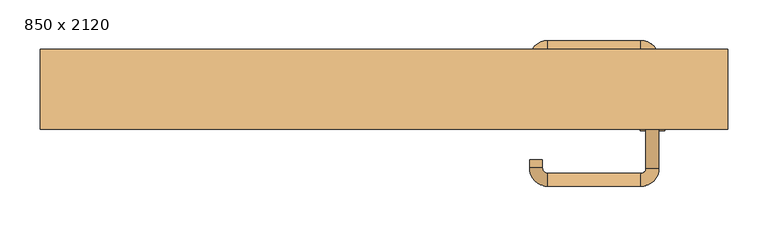
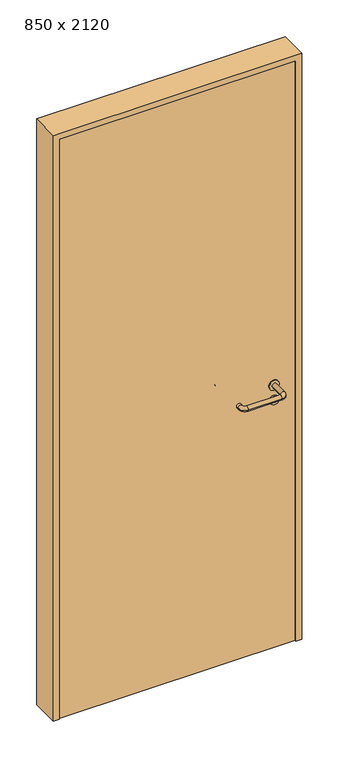
"""IFC4 building model written with IfcOpenShell, lengths in millimetres: door geometry, 850 x 2120."""

from ifc_helpers import new_model, si_unit, point, frame, frame_2d, origin, origin_with_axes, place, context, project, spatial, polyline, circle_curve, ellipse_curve, trimmed, segment, composite_curve, outline, extrude, source, transform, mapped, element, save
from ifc_brep_helpers import plane_surface, cylinder_surface, revolved_surface, advanced_brep


def door_850_x_2120_6f443289(model_context):
    return source(origin(), model_context, "Body", "SolidModel", [
        extrude(outline(composite_curve([segment(trimmed(circle_curve(frame_2d((897.3605726, 332.0)), 15.0), [point((897.3605726, 347.0))], [point((897.3605726, 317.0))], False, "CARTESIAN"), True, "CONTINUOUS"), segment(trimmed(circle_curve(frame_2d((897.3605726, 332.0)), 15.0), [point((897.3605726, 317.0))], [point((897.3605726, 347.0))], False, "CARTESIAN"), True, "CONTINUOUS")], self_intersect=False), holes=[composite_curve([segment(trimmed(circle_curve(frame_2d((892.5833211, 331.9398032)), 2.0), [point((892.5833211, 333.9398032))], [point((892.5833211, 329.9398032))], True, "CARTESIAN"), True, "CONTINUOUS"), segment(polyline([(892.5833211, 329.9398032), (902.5833211, 329.9398032)]), True, "CONTINUOUS"), segment(trimmed(circle_curve(frame_2d((902.5833211, 331.9398032)), 2.0), [point((902.5833211, 329.9398032))], [point((902.5833211, 333.9398032))], True, "CARTESIAN"), True, "CONTINUOUS"), segment(polyline([(902.5833211, 333.9398032), (892.5833211, 333.9398032)]), True, "CONTINUOUS")], self_intersect=False)]), frame((0.0, -15.0, 0.0), z_axis=(0.0, 1.0, 0.0), x_axis=(0.0, 0.0, 1.0)), (0.0, 0.0, 1.0), 6.35),
        extrude(outline(composite_curve([segment(trimmed(circle_curve(frame_2d((950.0, 332.0)), 17.526), [point((950.0, 349.526))], [point((950.0, 314.474))], False, "CARTESIAN"), True, "CONTINUOUS"), segment(trimmed(circle_curve(frame_2d((950.0, 332.0)), 17.526), [point((950.0, 314.474))], [point((950.0, 349.526))], False, "CARTESIAN"), True, "CONTINUOUS")], self_intersect=False)), frame((0.0, -15.0, 0.0), z_axis=(0.0, 1.0, 0.0), x_axis=(0.0, 0.0, 1.0)), (0.0, 0.0, 1.0), 3.175),
        advanced_brep(
        [(340.0, -15.0, 950.0), (324.0, -15.0, 950.0), (340.0, 38.0, 950.0), (324.0, 38.0, 950.0), (317.8578644, 44.1421356, 950.0), (317.8578644, 60.1421356, 950.0), (202.8578644, 60.1421356, 950.0), (202.8578644, 44.1421356, 950.0), (196.008622, 37.2928932, 950.0), (180.008622, 37.2928932, 950.0), (180.008622, 27.2928932, 950.0), (196.008622, 27.2928932, 950.0)],
        [
            (0, 1, circle_curve(frame((332.0, -15.0, 950.0), z_axis=(0.0, -1.0, 0.0), x_axis=(-1.0, 0.0, 0.0)), 8.0)),
            (1, 0, circle_curve(frame((332.0, -15.0, 950.0), z_axis=(0.0, -1.0, 0.0), x_axis=(-1.0, 0.0, 0.0)), 8.0)),
            (0, 2),
            (2, 3, circle_curve(frame((332.0, 38.0, 950.0), z_axis=(0.0, -1.0, 0.0), x_axis=(-1.0, 0.0, 0.0)), 8.0)),
            (3, 1),
            (3, 2, circle_curve(frame((332.0, 38.0, 950.0), z_axis=(0.0, -1.0, 0.0), x_axis=(-1.0, 0.0, 0.0)), 8.0)),
            (4, 3, circle_curve(frame((317.8578644, 38.0, 950.0), z_axis=(0.0, 0.0, -1.0), x_axis=(1.0, 0.0, 0.0)), 6.1421356)),
            (2, 5, circle_curve(frame((317.8578644, 38.0, 950.0), z_axis=(0.0, 0.0, 1.0), x_axis=(1.0, 0.0, 0.0)), 22.1421356)),
            (5, 4, circle_curve(frame((317.8578644, 52.1421356, 950.0), z_axis=(1.0, 0.0, 0.0), x_axis=(0.0, -1.0, 0.0)), 8.0)),
            (4, 5, circle_curve(frame((317.8578644, 52.1421356, 950.0), z_axis=(1.0, 0.0, 0.0), x_axis=(0.0, -1.0, 0.0)), 8.0)),
            (5, 6),
            (6, 7, circle_curve(frame((202.8578644, 52.1421356, 950.0), z_axis=(1.0, 0.0, 0.0), x_axis=(0.0, -1.0, 0.0)), 8.0)),
            (7, 4),
            (7, 6, circle_curve(frame((202.8578644, 52.1421356, 950.0), z_axis=(1.0, 0.0, 0.0), x_axis=(0.0, -1.0, 0.0)), 8.0)),
            (8, 7, circle_curve(frame((202.8578644, 37.2928932, 950.0), z_axis=(0.0, 0.0, -1.0), x_axis=(0.0, 1.0, 0.0)), 6.8492424)),
            (6, 9, circle_curve(frame((202.8578644, 37.2928932, 950.0), z_axis=(0.0, 0.0, 1.0), x_axis=(0.0, 1.0, 0.0)), 22.8492424)),
            (9, 8, circle_curve(frame((188.008622, 37.2928932, 950.0), z_axis=(0.0, 1.0, 0.0), x_axis=(1.0, 0.0, 0.0)), 8.0)),
            (8, 9, circle_curve(frame((188.008622, 37.2928932, 950.0), z_axis=(0.0, 1.0, 0.0), x_axis=(1.0, 0.0, 0.0)), 8.0)),
            (10, 11, circle_curve(frame((188.008622, 27.2928932, 950.0), z_axis=(0.0, -1.0, 0.0), x_axis=(1.0, 0.0, 0.0)), 8.0)),
            (11, 10, circle_curve(frame((188.008622, 27.2928932, 950.0), z_axis=(0.0, -1.0, 0.0), x_axis=(1.0, 0.0, 0.0)), 8.0)),
            (9, 10),
            (11, 8),
        ],
        [
            plane_surface(frame((332.0, -15.0, 0.0), z_axis=(0.0, -1.0, 0.0), x_axis=(0.0, 0.0, 1.0))),
            cylinder_surface(frame((332.0, -15.0, 950.0), z_axis=(0.0, -1.0, 0.0), x_axis=(-1.0, 0.0, 0.0)), 8.0),
            revolved_surface(trimmed(ellipse_curve(frame((332.0, 38.0, 950.0), z_axis=(0.0, -1.0, 0.0), x_axis=(-1.0, 0.0, 0.0)), 8.0, 8.0), [point((340.0, 38.0, 950.0))], [point((324.0, 38.0, 950.0))], True, "CARTESIAN"), (317.8578644, 38.0, 0.0), (0.0, 0.0, 1.0)),
            revolved_surface(trimmed(ellipse_curve(frame((332.0, 38.0, 950.0), z_axis=(0.0, -1.0, 0.0), x_axis=(-1.0, 0.0, 0.0)), 8.0, 8.0), [point((324.0, 38.0, 950.0))], [point((340.0, 38.0, 950.0))], True, "CARTESIAN"), (317.8578644, 38.0, 0.0), (0.0, 0.0, 1.0)),
            cylinder_surface(frame((317.8578644, 52.1421356, 950.0), z_axis=(1.0, 0.0, 0.0), x_axis=(0.0, -1.0, 0.0)), 8.0),
            revolved_surface(trimmed(ellipse_curve(frame((202.8578644, 52.1421356, 950.0), z_axis=(1.0, 0.0, 0.0), x_axis=(0.0, -1.0, 0.0)), 8.0, 8.0), [point((202.8578644, 60.1421356, 950.0))], [point((202.8578644, 44.1421356, 950.0))], True, "CARTESIAN"), (202.8578644, 37.2928932, 0.0), (0.0, 0.0, 1.0)),
            revolved_surface(trimmed(ellipse_curve(frame((202.8578644, 52.1421356, 950.0), z_axis=(1.0, 0.0, 0.0), x_axis=(0.0, -1.0, 0.0)), 8.0, 8.0), [point((202.8578644, 44.1421356, 950.0))], [point((202.8578644, 60.1421356, 950.0))], True, "CARTESIAN"), (202.8578644, 37.2928932, 0.0), (0.0, 0.0, 1.0)),
            plane_surface(frame((188.008622, 27.2928932, 0.0), z_axis=(0.0, -1.0, 0.0), x_axis=(0.0, 0.0, 1.0))),
            cylinder_surface(frame((188.008622, 37.2928932, 950.0), z_axis=(0.0, 1.0, 0.0), x_axis=(1.0, 0.0, 0.0)), 8.0),
        ],
        [
            (0, [[1, 2]]),
            (1, [[-1, 3, 4, 5]]),
            (1, [[-2, -5, 6, -3]]),
            (2, [[7, -4, 8, 9]]),
            (3, [[-8, -6, -7, 10]]),
            (4, [[-9, 11, 12, 13]]),
            (4, [[-10, -13, 14, -11]]),
            (5, [[15, -12, 16, 17]]),
            (6, [[-16, -14, -15, 18]]),
            (7, [[19, 20]]),
            (8, [[-17, 21, -20, 22]]),
            (8, [[-18, -22, -19, -21]]),
        ],
    ),
        extrude(outline(composite_curve([segment(trimmed(circle_curve(frame_2d((0.0, 15.0)), 15.0), [point((0.0, 30.0))], [point((0.0, 0.0))], False, "CARTESIAN"), True, "CONTINUOUS"), segment(trimmed(circle_curve(frame_2d((0.0, 15.0)), 15.0), [point((0.0, 0.0))], [point((0.0, 30.0))], False, "CARTESIAN"), True, "CONTINUOUS")], self_intersect=False), holes=[composite_curve([segment(trimmed(circle_curve(frame_2d((-4.7772515, 14.9398032)), 2.0), [point((-4.7772515, 16.9398032))], [point((-4.7772515, 12.9398032))], True, "CARTESIAN"), True, "CONTINUOUS"), segment(polyline([(-4.7772515, 12.9398032), (5.2227485, 12.9398032)]), True, "CONTINUOUS"), segment(trimmed(circle_curve(frame_2d((5.2227485, 14.9398032)), 2.0), [point((5.2227485, 12.9398032))], [point((5.2227485, 16.9398032))], True, "CARTESIAN"), True, "CONTINUOUS"), segment(polyline([(5.2227485, 16.9398032), (-4.7772515, 16.9398032)]), True, "CONTINUOUS")], self_intersect=False)]), frame((317.0, -51.35, 897.3605726), z_axis=(-1.8870575173328306e-12, 1.0, 0.0), x_axis=(0.0, 0.0, 1.0)), (0.0, 0.0, 1.0), 6.35),
        extrude(outline(composite_curve([segment(trimmed(circle_curve(frame_2d((0.0, 17.526)), 17.526), [point((0.0, 35.052))], [point((0.0, 0.0))], False, "CARTESIAN"), True, "CONTINUOUS"), segment(trimmed(circle_curve(frame_2d((0.0, 17.526)), 17.526), [point((0.0, 0.0))], [point((0.0, 35.052))], False, "CARTESIAN"), True, "CONTINUOUS")], self_intersect=False)), frame((314.474, -48.175, 950.0), z_axis=(-1.8870575173328306e-12, 1.0, 0.0), x_axis=(0.0, 0.0, 1.0)), (0.0, 0.0, 1.0), 3.175),
        advanced_brep(
        [(340.0, -45.0, 950.0), (324.0, -45.0, 950.0), (324.0, -98.0, 950.0), (340.0, -98.0, 950.0), (317.8578644, -104.1421356, 950.0), (317.8578644, -120.1421356, 950.0), (202.8578644, -104.1421356, 950.0), (202.8578644, -120.1421356, 950.0), (196.008622, -97.2928932, 950.0), (180.008622, -97.2928932, 950.0), (180.008622, -87.2928932, 950.0), (196.008622, -87.2928932, 950.0)],
        [
            (0, 1, circle_curve(frame((332.0, -45.0, 950.0), z_axis=(-1.888672253512351e-12, 1.0, 0.0), x_axis=(-1.0, -1.888672253512351e-12, 0.0)), 8.0)),
            (1, 0, circle_curve(frame((332.0, -45.0, 950.0), z_axis=(-1.888672253512351e-12, 1.0, 0.0), x_axis=(-1.0, -1.888672253512351e-12, 0.0)), 8.0)),
            (1, 2),
            (2, 3, circle_curve(frame((332.0, -98.0, 950.0), z_axis=(-1.888672253512351e-12, 1.0, 0.0), x_axis=(-1.0, -1.888672253512351e-12, 0.0)), 8.0)),
            (3, 0),
            (3, 2, circle_curve(frame((332.0, -98.0, 950.0), z_axis=(-1.888672253512351e-12, 1.0, 0.0), x_axis=(-1.0, -1.888672253512351e-12, 0.0)), 8.0)),
            (4, 5, circle_curve(frame((317.8578644, -112.1421356, 950.0), z_axis=(1.0, 1.913702061528922e-12, 0.0), x_axis=(-1.913702061528922e-12, 1.0, 0.0)), 8.0)),
            (5, 3, circle_curve(frame((317.8578644, -98.0, 950.0), z_axis=(0.0, 0.0, 1.0), x_axis=(1.0, 1.880717803715015e-12, 0.0)), 22.1421356)),
            (2, 4, circle_curve(frame((317.8578644, -98.0, 950.0), z_axis=(0.0, 0.0, -1.0), x_axis=(1.0, 1.880717803715015e-12, 0.0)), 6.1421356)),
            (5, 4, circle_curve(frame((317.8578644, -112.1421356, 950.0), z_axis=(1.0, 1.913702061528922e-12, 0.0), x_axis=(-1.913702061528922e-12, 1.0, 0.0)), 8.0)),
            (4, 6),
            (6, 7, circle_curve(frame((202.8578644, -112.1421356, 950.0), z_axis=(1.0, 1.913719828541269e-12, 0.0), x_axis=(-1.913719828541269e-12, 1.0, 0.0)), 8.0)),
            (7, 5),
            (7, 6, circle_curve(frame((202.8578644, -112.1421356, 950.0), z_axis=(1.0, 1.913719828541269e-12, 0.0), x_axis=(-1.913719828541269e-12, 1.0, 0.0)), 8.0)),
            (8, 9, circle_curve(frame((188.008622, -97.2928932, 950.0), z_axis=(1.8888942981172756e-12, -1.0, 0.0), x_axis=(1.0, 1.8888942981172756e-12, 0.0)), 8.0)),
            (9, 7, circle_curve(frame((202.8578644, -97.2928932, 950.0), z_axis=(0.0, 0.0, 1.0), x_axis=(1.9120873253494017e-12, -1.0, 0.0)), 22.8492424)),
            (6, 8, circle_curve(frame((202.8578644, -97.2928932, 950.0), z_axis=(0.0, 0.0, -1.0), x_axis=(1.9120873253494017e-12, -1.0, 0.0)), 6.8492424)),
            (9, 8, circle_curve(frame((188.008622, -97.2928932, 950.0), z_axis=(1.890448610351751e-12, -1.0, 0.0), x_axis=(1.0, 1.890448610351751e-12, 0.0)), 8.0)),
            (10, 11, circle_curve(frame((188.008622, -87.2928932, 950.0), z_axis=(-1.8903642334018795e-12, 1.0, 0.0), x_axis=(1.0, 1.8903642334018795e-12, 0.0)), 8.0)),
            (11, 10, circle_curve(frame((188.008622, -87.2928932, 950.0), z_axis=(-1.8903642334018795e-12, 1.0, 0.0), x_axis=(1.0, 1.8903642334018795e-12, 0.0)), 8.0)),
            (8, 11),
            (10, 9),
        ],
        [
            plane_surface(frame((332.0, -45.0, 0.0), z_axis=(-1.8870575173328306e-12, 1.0, 0.0), x_axis=(0.0, 0.0, 1.0))),
            cylinder_surface(frame((332.0, -45.0, 950.0), z_axis=(-1.888672253512351e-12, 1.0, 0.0), x_axis=(-1.0, -1.888672253512351e-12, 0.0)), 8.0),
            revolved_surface(trimmed(ellipse_curve(frame((332.0, -98.0, 950.0), z_axis=(1.8823325398945356e-12, -1.0, 0.0), x_axis=(-1.0, -1.8823325398945356e-12, 0.0)), 8.0, 8.0), [point((340.0, -98.0, 950.0))], [point((324.0, -98.0, 950.0))], True, "CARTESIAN"), (317.8578644, -98.0, 0.0), (0.0, 0.0, 1.0)),
            revolved_surface(trimmed(ellipse_curve(frame((332.0, -98.0, 950.0), z_axis=(1.8823325398945356e-12, -1.0, 0.0), x_axis=(-1.0, -1.8823325398945356e-12, 0.0)), 8.0, 8.0), [point((324.0, -98.0, 950.0))], [point((340.0, -98.0, 950.0))], True, "CARTESIAN"), (317.8578644, -98.0, 0.0), (0.0, 0.0, 1.0)),
            cylinder_surface(frame((317.8578644, -112.1421356, 950.0), z_axis=(1.0, 1.913719828541269e-12, 0.0), x_axis=(-1.913719828541269e-12, 1.0, 0.0)), 8.0),
            revolved_surface(trimmed(ellipse_curve(frame((202.8578644, -112.1421356, 950.0), z_axis=(-1.0, -1.913702061528922e-12, 0.0), x_axis=(-1.913702061528922e-12, 1.0, 0.0)), 8.0, 8.0), [point((202.8578644, -120.1421356, 950.0))], [point((202.8578644, -104.1421356, 950.0))], True, "CARTESIAN"), (202.8578644, -97.2928932, 0.0), (0.0, 0.0, 1.0)),
            revolved_surface(trimmed(ellipse_curve(frame((202.8578644, -112.1421356, 950.0), z_axis=(-1.0, -1.913702061528922e-12, 0.0), x_axis=(-1.913702061528922e-12, 1.0, 0.0)), 8.0, 8.0), [point((202.8578644, -104.1421356, 950.0))], [point((202.8578644, -120.1421356, 950.0))], True, "CARTESIAN"), (202.8578644, -97.2928932, 0.0), (0.0, 0.0, 1.0)),
            plane_surface(frame((188.008622, -87.2928932, 0.0), z_axis=(-1.8887494972223595e-12, 1.0, 0.0), x_axis=(0.0, 0.0, 1.0))),
            cylinder_surface(frame((188.008622, -97.2928932, 950.0), z_axis=(1.8903642334018795e-12, -1.0, 0.0), x_axis=(1.0, 1.8903642334018795e-12, 0.0)), 8.0),
        ],
        [
            (0, [[1, 2]]),
            (1, [[3, 4, 5, -2]]),
            (1, [[-5, 6, -3, -1]]),
            (2, [[7, 8, -4, 9]]),
            (3, [[10, -9, -6, -8]]),
            (4, [[11, 12, 13, -7]]),
            (4, [[-13, 14, -11, -10]]),
            (5, [[15, 16, -12, 17]]),
            (6, [[18, -17, -14, -16]]),
            (7, [[19, 20]]),
            (8, [[21, -19, 22, -15]]),
            (8, [[-22, -20, -21, -18]]),
        ],
    ),
        extrude(outline(polyline([(2100.0, 405.0), (0.0, 405.0), (0.0, 425.0), (2120.0, 425.0), (2120.0, -425.0), (0.0, -425.0), (0.0, -405.0), (2100.0, -405.0), (2100.0, 405.0)])), frame((0.0, -50.0, 0.0), z_axis=(0.0, 1.0, 0.0), x_axis=(0.0, 0.0, 1.0)), (0.0, 0.0, 1.0), 99.0),
        extrude(outline(polyline([(-405.0, -45.0), (-405.0, -15.0), (405.0, -15.0), (405.0, -45.0), (-405.0, -45.0)])), origin_with_axes(), (0.0, 0.0, 1.0), 2100.0),
    ])


if __name__ == "__main__":
    model = new_model("IFC4")
    model_context = context("Model", 3, world=origin())
    ifc_project = project(units=[si_unit("LENGTHUNIT", "METRE", prefix="MILLI")], contexts=[model_context])
    site = spatial("IfcSite", under=ifc_project)
    building = spatial("IfcBuilding", under=site)
    placement = place(None, origin())
    door_850_x_2120_shape = door_850_x_2120_6f443289(model_context)
    element("IfcDoor", 1, ObjectType="850 x 2120", at=placement, inside=building, context=model_context, shape_type="MappedRepresentation", body=[
        mapped(door_850_x_2120_shape, transform((0.0, 0.0, 0.0), x_axis=(1.0, 0.0, 0.0), y_axis=(0.0, 1.0, 0.0), z_axis=(0.0, 0.0, 1.0))),
    ])
    save(model, "model.ifc")
